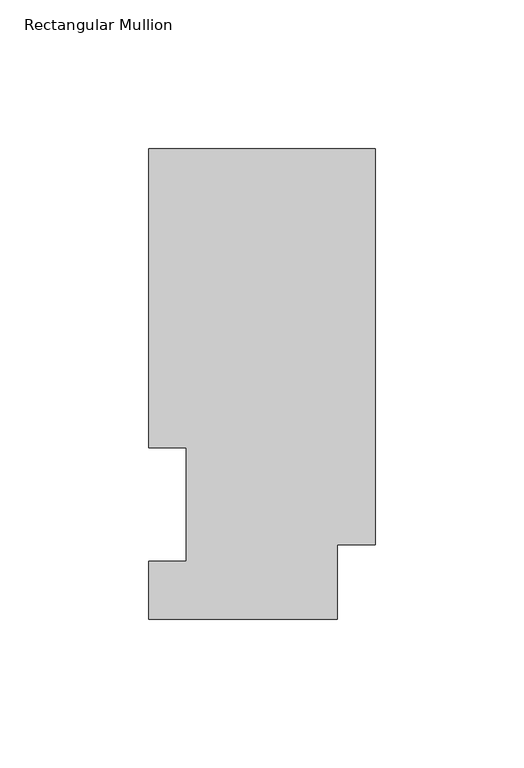
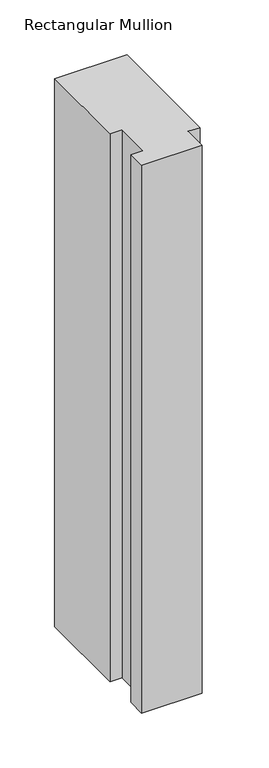
"""IFC4 building model written with IfcOpenShell, lengths in millimetres: member geometry, Rectangular Mullion."""

from ifc_helpers import new_model, si_unit, frame, origin, place, context, project, spatial, polyline, outline, extrude, source, transform, mapped, element, save


def rectangular_mullion_ae435653(model_context):
    return source(origin(), model_context, "Body", "SweptSolid", [
        extrude(outline(polyline([(-76.2, 158.3316937), (0.0, 158.3316937), (0.0, 25.0832937), (-12.7, 25.0832937), (-12.7, 0.0134937), (-76.2, 0.0134937), (-76.2, 19.5460937), (-63.5, 19.5460937), (-63.5, 57.6460938), (-76.2, 57.6460938), (-76.2, 158.3316937)])), frame((0.0, 0.0, -609.6), z_axis=(0.0, 0.0, 1.0), x_axis=(1.0, 0.0, 0.0)), (0.0, 0.0, 1.0), 609.6),
    ])


if __name__ == "__main__":
    model = new_model("IFC4")
    model_context = context("Model", 3, world=origin())
    ifc_project = project(units=[si_unit("LENGTHUNIT", "METRE", prefix="MILLI")], contexts=[model_context])
    site = spatial("IfcSite", under=ifc_project)
    building = spatial("IfcBuilding", under=site)
    placement = place(None, origin())
    rectangular_mullion_shape = rectangular_mullion_ae435653(model_context)
    element("IfcMember", 1, ObjectType="Rectangular Mullion", at=placement, inside=building, context=model_context, shape_type="MappedRepresentation", body=[
        mapped(rectangular_mullion_shape, transform((0.0, 0.0, 0.0), x_axis=(1.0, 0.0, 0.0), y_axis=(0.0, 1.0, 0.0), z_axis=(0.0, 0.0, 1.0))),
    ])
    save(model, "model.ifc")
